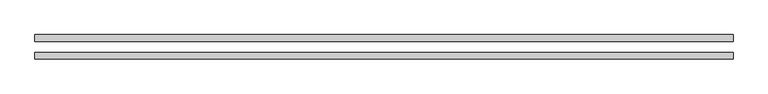
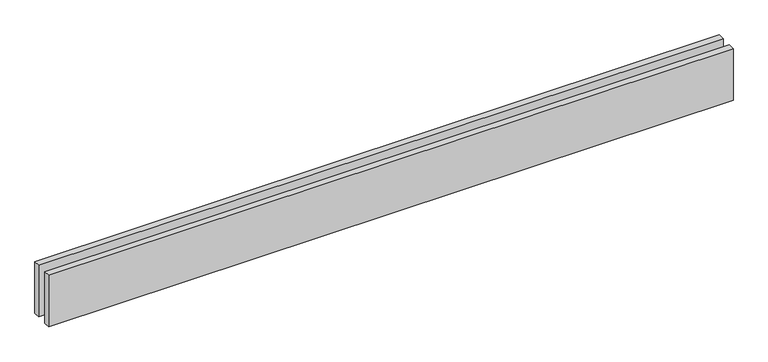
"""IFC4 building model written with IfcOpenShell, lengths in millimetres: proxy geometry."""

from ifc_helpers import new_model, si_unit, origin, origin_with_axes, place, context, project, spatial, polyline, outline, extrude, source, transform, mapped, element, save


def generic_models_0119c60a(model_context):
    return source(origin(), model_context, "Body", "SweptSolid", [
        extrude(outline(polyline([(3135.0, -25.0), (3135.0, -55.0), (0.0, -55.0), (0.0, -25.0), (3135.0, -25.0)])), origin_with_axes(), (0.0, 0.0, 1.0), 250.0),
        extrude(outline(polyline([(3135.0, 55.0), (3135.0, 25.0), (0.0, 25.0), (0.0, 55.0), (3135.0, 55.0)])), origin_with_axes(), (0.0, 0.0, 1.0), 250.0),
    ])


if __name__ == "__main__":
    model = new_model("IFC4")
    model_context = context("Model", 3, world=origin())
    ifc_project = project(units=[si_unit("LENGTHUNIT", "METRE", prefix="MILLI")], contexts=[model_context])
    site = spatial("IfcSite", under=ifc_project)
    building = spatial("IfcBuilding", under=site)
    placement = place(None, origin())
    generic_models_shape = generic_models_0119c60a(model_context)
    element("IfcBuildingElementProxy", 1, Name="Generic Models", at=placement, inside=building, context=model_context, shape_type="MappedRepresentation", body=[
        mapped(generic_models_shape, transform((0.0, 0.0, 0.0), x_axis=(1.0, 0.0, 0.0), y_axis=(0.0, 1.0, 0.0), z_axis=(0.0, 0.0, 1.0))),
    ])
    save(model, "model.ifc")
